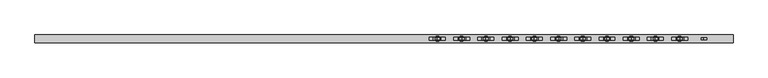
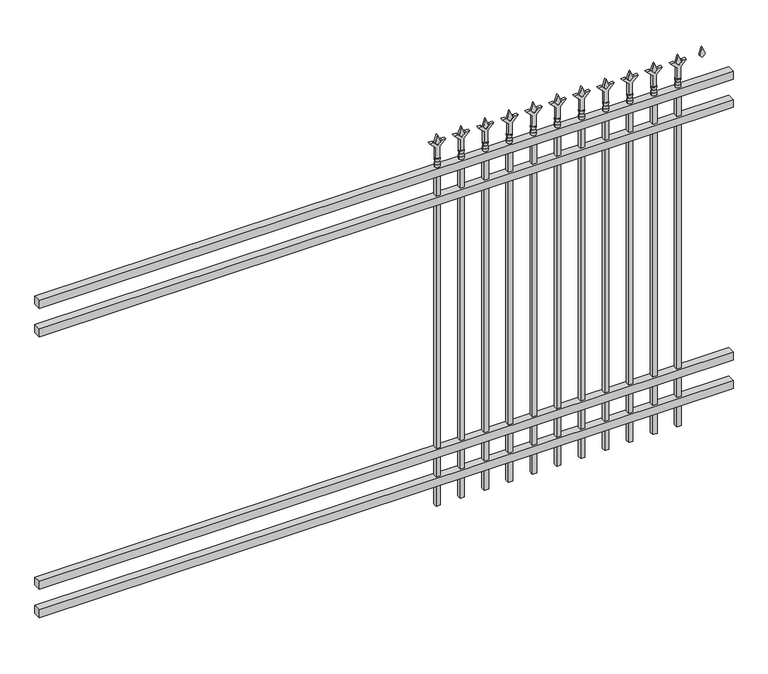
"""IFC4 building model written with IfcOpenShell, lengths in millimetres: railing geometry."""

import ifcopenshell
import ifcopenshell.guid

model = None  # the IFC model being written
_history = None  # IfcOwnerHistory: only IFC2X3 demands one
_inside = {}  # id of a spatial element -> (the spatial element, [elements in it])
_under = {}  # id of a project, library or spatial element -> (it, [spatial elements below it])
_declared = {}  # id of a project -> (the project, [libraries it declares])
_typed = {}  # id of a type object -> (the type object, [elements of that type])
_made_of = {}  # id of a material, layer set ... -> (it, [elements and type objects made of it])


def new_model(schema):
    """Start an empty IFC model of exactly this schema.

    Asked for "IFC4X3", IfcOpenShell would pick the latest addendum, in which some entities
    have other attributes; the version numbers below select the first issue.
    IFC2X3 requires an IfcOwnerHistory on every rooted entity: one is made here for all.
    """
    global model, _history
    if schema == "IFC4X3":
        model = ifcopenshell.file(schema_version=(4, 3, 0, 0))
    else:
        model = ifcopenshell.file(schema=schema)
    _inside.clear()
    _under.clear()
    _declared.clear()
    _typed.clear()
    _made_of.clear()
    _history = None
    if model.schema == "IFC2X3":
        org = make("IfcOrganization", Name="unknown")
        user = make(
            "IfcPersonAndOrganization",
            ThePerson=make("IfcPerson", FamilyName="unknown"),
            TheOrganization=org,
        )
        app = make(
            "IfcApplication",
            ApplicationDeveloper=org,
            Version="unknown",
            ApplicationFullName="unknown",
            ApplicationIdentifier="unknown",
        )
        _history = make(
            "IfcOwnerHistory",
            OwningUser=user,
            OwningApplication=app,
            ChangeAction="ADDED",
            CreationDate=0,
        )
    return model


def make(cls, **values):
    """One entity of the class cls with the attributes given. An attribute that is None is left unset."""
    return model.create_entity(
        cls, **{name: value for name, value in values.items() if value is not None}
    )


def rooted(cls, **values):
    """An entity with a GlobalId (a new one), such as an element, a storey or a relation."""
    return make(cls, GlobalId=ifcopenshell.guid.new(), OwnerHistory=_history, **values)


def si_unit(unit_type, name, prefix=None):
    """IfcSIUnit, for example si_unit("LENGTHUNIT", "METRE", prefix="MILLI")."""
    return make("IfcSIUnit", UnitType=unit_type, Prefix=prefix, Name=name)


def assignment(units):
    """IfcUnitAssignment: the units of a project."""
    return None if units is None else make("IfcUnitAssignment", Units=units)


def point(xyz):
    """IfcCartesianPoint."""
    return None if xyz is None else make("IfcCartesianPoint", Coordinates=xyz)


def direction(xyz):
    """IfcDirection."""
    return None if xyz is None else make("IfcDirection", DirectionRatios=xyz)


def frame(location, z_axis=None, x_axis=None):
    """IfcAxis2Placement3D, a coordinate frame: its origin and axes. An axis left out is left unset."""
    return make(
        "IfcAxis2Placement3D",
        Location=point(location),
        Axis=direction(z_axis),
        RefDirection=direction(x_axis),
    )


def origin():
    """The frame at (0, 0, 0) with its axes left unset."""
    return frame((0.0, 0.0, 0.0))


def place(relative_to, where):
    """IfcLocalPlacement: puts the frame where relative to a parent placement (None: the world)."""
    return make(
        "IfcLocalPlacement", PlacementRelTo=relative_to, RelativePlacement=where
    )


def context(
    kind, dimensions, precision=None, world=None, true_north=None, identifier=None
):
    """IfcGeometricRepresentationContext, for example the 3D "Model" context."""
    return make(
        "IfcGeometricRepresentationContext",
        ContextIdentifier=identifier,
        ContextType=kind,
        CoordinateSpaceDimension=dimensions,
        Precision=precision,
        WorldCoordinateSystem=world,
        TrueNorth=true_north,
    )


def project(units=None, contexts=None):
    """IfcProject with its units and contexts."""
    return rooted(
        "IfcProject",
        Name="project",
        RepresentationContexts=contexts,
        UnitsInContext=assignment(units),
    )


def spatial(cls, under=None, at=None, **own):
    """A site, building, storey or space (cls), placed at a placement, below another one or the project."""
    s = rooted(cls, ObjectPlacement=at, **own)
    if under is not None:
        _under.setdefault(under.id(), (under, []))[1].append(s)
    return s


def polyline(points):
    """IfcPolyline through the points."""
    return make("IfcPolyline", Points=[point(p) for p in points])


def circle_curve(where, radius):
    """IfcCircle in the frame where."""
    return make("IfcCircle", Position=where, Radius=radius)


def outline(outer, holes=None, kind="AREA"):
    """IfcArbitraryClosedProfileDef: a profile drawn as a closed curve; with holes, ...WithVoids."""
    if holes is None:
        return make("IfcArbitraryClosedProfileDef", ProfileType=kind, OuterCurve=outer)
    return make(
        "IfcArbitraryProfileDefWithVoids",
        ProfileType=kind,
        OuterCurve=outer,
        InnerCurves=holes,
    )


def extrude(swept, where, along, depth):
    """IfcExtrudedAreaSolid: the profile swept, set in the frame where, extruded along a direction by depth."""
    return make(
        "IfcExtrudedAreaSolid",
        SweptArea=swept,
        Position=where,
        ExtrudedDirection=direction(along),
        Depth=depth,
    )


def shape(context_of_items, identifier, shape_type, items):
    """IfcShapeRepresentation: the items that make up one representation, for example the "Body"."""
    return make(
        "IfcShapeRepresentation",
        ContextOfItems=context_of_items,
        RepresentationIdentifier=identifier,
        RepresentationType=shape_type,
        Items=items,
    )


def source(mapping_origin, context_of_items, identifier, shape_type, items):
    """IfcRepresentationMap: a shape defined once, which mapped items show again and again."""
    return make(
        "IfcRepresentationMap",
        MappingOrigin=mapping_origin,
        MappedRepresentation=shape(context_of_items, identifier, shape_type, items),
    )


def transform(
    local_origin,
    x_axis=None,
    y_axis=None,
    z_axis=None,
    scale=None,
    scale2=None,
    scale3=None,
    uniform=True,
):
    """IfcCartesianTransformationOperator3D, or its non-uniform kind. x_axis, y_axis, z_axis: its Axis1, 2, 3."""
    if uniform:
        return make(
            "IfcCartesianTransformationOperator3D",
            Axis1=direction(x_axis),
            Axis2=direction(y_axis),
            LocalOrigin=point(local_origin),
            Scale=scale,
            Axis3=direction(z_axis),
        )
    return make(
        "IfcCartesianTransformationOperator3DnonUniform",
        Axis1=direction(x_axis),
        Axis2=direction(y_axis),
        LocalOrigin=point(local_origin),
        Scale=scale,
        Axis3=direction(z_axis),
        Scale2=scale2,
        Scale3=scale3,
    )


def mapped(mapping_source, mapping_target):
    """IfcMappedItem: shows the shape of a source again, moved by a transform."""
    return make(
        "IfcMappedItem", MappingSource=mapping_source, MappingTarget=mapping_target
    )


def made_of(thing, what):
    """Note that an element or type object is made of a material, layer set ...; save() writes the relation."""
    if what is not None:
        _made_of.setdefault(what.id(), (what, []))[1].append(thing)
    return thing


def element(
    cls,
    number,
    at=None,
    inside=None,
    cuts=None,
    type_object=None,
    material=None,
    context=None,
    identifier="Body",
    shape_type=None,
    held_by="IfcProductDefinitionShape",
    body=None,
    shapes=None,
    **own,
):
    """One element of the class cls, such as IfcWall. Its Tag is "e" and its number.

    at: its placement. inside: the storey or other place that contains it. cuts: it is an
    opening in that element (IfcRelVoidsElement). A single representation is given by context,
    identifier, shape_type and body (its items); several are given by shapes. held_by: the class
    of the entity that holds the representations. save() writes the other relations.
    """
    e = rooted(cls, Tag="e%d" % number, ObjectPlacement=at, **own)
    if body is not None:
        shapes = [shape(context, identifier, shape_type, body)]
    if shapes is not None:
        e.Representation = make(held_by, Representations=shapes)
    if inside is not None:
        _inside.setdefault(inside.id(), (inside, []))[1].append(e)
    if cuts is not None:
        rooted(
            "IfcRelVoidsElement", RelatingBuildingElement=cuts, RelatedOpeningElement=e
        )
    if type_object is not None:
        _typed.setdefault(type_object.id(), (type_object, []))[1].append(e)
    return made_of(e, material)


def aggregate(whole, parts):
    """IfcRelAggregates: a whole, such as a stair, and the parts it consists of."""
    return rooted("IfcRelAggregates", RelatingObject=whole, RelatedObjects=parts)


def save(model, path):
    """Write the relations noted so far, then the file.

    IfcRelAggregates (storeys below a building ...), IfcRelContainedInSpatialStructure (elements
    in a storey), IfcRelDefinesByType, IfcRelAssociatesMaterial and IfcRelDeclares: one each for
    every whole, place, type object, material and project.
    """
    for whole, parts in _under.values():
        aggregate(whole, parts)
    for where, things in _inside.values():
        rooted(
            "IfcRelContainedInSpatialStructure",
            RelatedElements=things,
            RelatingStructure=where,
        )
    for kind, things in _typed.values():
        rooted("IfcRelDefinesByType", RelatedObjects=things, RelatingType=kind)
    for what, things in _made_of.values():
        rooted("IfcRelAssociatesMaterial", RelatedObjects=things, RelatingMaterial=what)
    for by, libraries in _declared.values():
        rooted("IfcRelDeclares", RelatingContext=by, RelatedDefinitions=libraries)
    model.write(path)


def plane_surface(at):
    """IfcPlane: the flat surface through the origin of the frame at, square to its z axis."""
    return make("IfcPlane", Position=at)


def cylinder_surface(at, radius):
    """IfcCylindricalSurface: all points at the distance radius from the z axis of the frame at."""
    return make("IfcCylindricalSurface", Position=at, Radius=radius)


def revolved_surface(curve, axis_point, axis_direction):
    """IfcSurfaceOfRevolution: the curve turned about the line through axis_point along axis_direction."""
    return make(
        "IfcSurfaceOfRevolution",
        SweptCurve=make("IfcArbitraryOpenProfileDef", ProfileType="CURVE", Curve=curve),
        AxisPosition=make("IfcAxis1Placement", Location=point(axis_point), Axis=direction(axis_direction)),
    )


def advanced_brep(points, edges, surfaces, faces):
    """IfcAdvancedBrep: a solid bounded by faces that lie on surfaces and meet in shared edges.

    An edge is (start, end): straight between two places in points (the first is 0);
    or (start, end, curve); or (start, end, curve, False) where it runs against its curve.
    A face is (place in surfaces, loops), or (place, loops, False) where it looks against
    its surface's normal. A loop lists edges by number (the first is 1), with a minus sign
    where the edge is run from its end to its start. The first loop is the outer one.
    """
    corners = [point(p) for p in points]
    vertices = [make("IfcVertexPoint", VertexGeometry=c) for c in corners]
    made = []
    for start, end, *more in edges:
        made.append(
            make(
                "IfcEdgeCurve",
                EdgeStart=vertices[start],
                EdgeEnd=vertices[end],
                EdgeGeometry=more[0] if more else make("IfcPolyline", Points=[corners[start], corners[end]]),
                SameSense=more[1] if len(more) > 1 else True,
            )
        )
    hull = []
    for where, loops, *sense in faces:
        bounds = []
        for j, loop in enumerate(loops):
            ring = [make("IfcOrientedEdge", EdgeElement=made[abs(k) - 1], Orientation=k > 0) for k in loop]
            bounds.append(
                make(
                    "IfcFaceOuterBound" if j == 0 else "IfcFaceBound",
                    Bound=make("IfcEdgeLoop", EdgeList=ring),
                    Orientation=True,
                )
            )
        hull.append(make("IfcAdvancedFace", Bounds=bounds, FaceSurface=surfaces[where], SameSense=sense[0] if sense else True))
    return make("IfcAdvancedBrep", Outer=make("IfcClosedShell", CfsFaces=hull))


def railing_c09364bd(model_context):
    return source(origin(), model_context, "Body", "SolidModel", [
        extrude(outline(polyline([(-67441.318087, -9187.1195174), (-67441.318087, -9152.1945174), (-64291.718087, -9152.1945174), (-64291.718087, -9187.1195174), (-67441.318087, -9187.1195174)])), frame((0.0, 0.0, 1638.3), z_axis=(0.0, 0.0, 1.0), x_axis=(1.0, 0.0, 0.0)), (0.0, 0.0, 1.0), 38.1),
        extrude(outline(polyline([(-67441.318087, -9187.1195174), (-67441.318087, -9152.1945174), (-64291.718087, -9152.1945174), (-64291.718087, -9187.1195174), (-67441.318087, -9187.1195174)])), frame((0.0, 0.0, 1501.775), z_axis=(0.0, 0.0, 1.0), x_axis=(1.0, 0.0, 0.0)), (0.0, 0.0, 1.0), 38.1),
        extrude(outline(polyline([(-67441.318087, -9187.1195174), (-67441.318087, -9152.1945174), (-64291.718087, -9152.1945174), (-64291.718087, -9187.1195174), (-67441.318087, -9187.1195174)])), frame((0.0, 0.0, 288.925), z_axis=(0.0, 0.0, 1.0), x_axis=(1.0, 0.0, 0.0)), (0.0, 0.0, 1.0), 38.1),
        extrude(outline(polyline([(-67441.318087, -9187.1195174), (-67441.318087, -9152.1945174), (-64291.718087, -9152.1945174), (-64291.718087, -9187.1195174), (-67441.318087, -9187.1195174)])), frame((0.0, 0.0, 152.4), z_axis=(0.0, 0.0, 1.0), x_axis=(1.0, 0.0, 0.0)), (0.0, 0.0, 1.0), 38.1),
        extrude(outline(polyline([(1793.08125, -64520.8472536), (1828.8, -64532.7535036), (1793.08125, -64544.6597536), (1781.175, -64532.7535036), (1793.08125, -64520.8472536)])), frame((0.0, -9174.4195174, 0.0), z_axis=(0.0, 1.0, 0.0), x_axis=(0.0, 0.0, 1.0)), (0.0, 0.0, 1.0), 9.525),
        extrude(outline(polyline([(1717.675, -64524.0222536), (1771.9457378, -64524.0222536), (1799.1355122, -64496.8324791), (1799.1355122, -64514.7929914), (1781.175, -64532.7535036), (1799.1355122, -64550.7140159), (1799.1355122, -64568.6745281), (1771.9457378, -64541.4847536), (1717.675, -64541.4847536), (1717.675, -64524.0222536)])), frame((0.0, -9176.0070174, 0.0), z_axis=(0.0, 1.0, 0.0), x_axis=(0.0, 0.0, 1.0)), (0.0, 0.0, 1.0), 12.7),
        advanced_brep(
        [(-64520.8472536, -9169.6570174, 1689.1), (-64544.6597536, -9169.6570174, 1689.1), (-64544.6597536, -9169.6570174, 1676.4), (-64520.8472536, -9169.6570174, 1676.4), (-64523.0525855, -9169.6570174, 1701.6070585), (-64542.4544218, -9169.6570174, 1701.6070585), (-64520.8472536, -9169.6570174, 1717.675), (-64544.6597536, -9169.6570174, 1717.675), (-64532.7535036, -9169.6570174, 1717.675), (-64532.7535036, -9169.6570174, 1676.4)],
        [
            (0, 1, circle_curve(frame((-64532.7535036, -9169.6570174, 1689.1), z_axis=(0.0, 0.0, -1.0), x_axis=(-1.0, 0.0, 0.0)), 11.90625)),
            (1, 2),
            (2, 3, circle_curve(frame((-64532.7535036, -9169.6570174, 1676.4), z_axis=(0.0, 0.0, 1.0), x_axis=(-1.0, 0.0, 0.0)), 11.90625)),
            (3, 0),
            (1, 0, circle_curve(frame((-64532.7535036, -9169.6570174, 1689.1), z_axis=(0.0, 0.0, -1.0), x_axis=(-1.0, 0.0, 0.0)), 11.90625)),
            (3, 2, circle_curve(frame((-64532.7535036, -9169.6570174, 1676.4), z_axis=(0.0, 0.0, 1.0), x_axis=(-1.0, 0.0, 0.0)), 11.90625)),
            (4, 5, circle_curve(frame((-64532.7535036, -9169.6570174, 1701.6070585), z_axis=(0.0, 0.0, -1.0), x_axis=(-1.0, 0.0, 0.0)), 9.7009181)),
            (5, 1),
            (0, 4),
            (5, 4, circle_curve(frame((-64532.7535036, -9169.6570174, 1701.6070585), z_axis=(0.0, 0.0, -1.0), x_axis=(-1.0, 0.0, 0.0)), 9.7009181)),
            (6, 7, circle_curve(frame((-64532.7535036, -9169.6570174, 1717.675), z_axis=(0.0, 0.0, -1.0), x_axis=(-1.0, 0.0, 0.0)), 11.90625)),
            (7, 5),
            (4, 6),
            (7, 6, circle_curve(frame((-64532.7535036, -9169.6570174, 1717.675), z_axis=(0.0, 0.0, -1.0), x_axis=(-1.0, 0.0, 0.0)), 11.90625)),
            (8, 7),
            (6, 8),
            (2, 9),
            (9, 3),
        ],
        [
            cylinder_surface(frame((-64532.7535036, -9169.6570174, 1676.4), z_axis=(0.0, 0.0, 1.0), x_axis=(-1.0, 0.0, 0.0)), 11.90625),
            revolved_surface(polyline([(-64544.6597536, -9169.6570174, 1689.1), (-64542.4544218, -9169.6570174, 1701.6070585)]), (-64532.7535036, -9169.6570174, 1676.4), (0.0, 0.0, 1.0)),
            revolved_surface(polyline([(-64542.4544218, -9169.6570174, 1701.6070585), (-64544.6597536, -9169.6570174, 1717.675)]), (-64532.7535036, -9169.6570174, 1676.4), (0.0, 0.0, 1.0)),
            plane_surface(frame((-64532.7535036, -9169.6570174, 1717.675), z_axis=(0.0, 0.0, 1.0), x_axis=(-1.0, 0.0, 0.0))),
            plane_surface(frame((-64532.7535036, -9169.6570174, 1676.4), z_axis=(0.0, 0.0, -1.0), x_axis=(-1.0, 0.0, 0.0))),
        ],
        [
            (0, [[1, 2, 3, 4]]),
            (0, [[5, -4, 6, -2]]),
            (1, [[7, 8, -1, 9]]),
            (1, [[10, -9, -5, -8]]),
            (2, [[11, 12, -7, 13]]),
            (2, [[14, -13, -10, -12]]),
            (3, [[15, -11, 16]]),
            (3, [[-16, -14, -15]]),
            (4, [[-3, 17, 18]]),
            (4, [[-6, -18, -17]]),
        ],
    ),
        extrude(outline(polyline([(-64542.2785036, -9160.1320174), (-64523.2285036, -9160.1320174), (-64523.2285036, -9179.1820174), (-64542.2785036, -9179.1820174), (-64542.2785036, -9160.1320174)])), frame((0.0, 0.0, 50.8), z_axis=(0.0, 0.0, 1.0), x_axis=(1.0, 0.0, 0.0)), (0.0, 0.0, 1.0), 1625.6),
        extrude(outline(polyline([(1793.08125, -64630.1201703), (1828.8, -64642.0264203), (1793.08125, -64653.9326703), (1781.175, -64642.0264203), (1793.08125, -64630.1201703)])), frame((0.0, -9174.4195174, 0.0), z_axis=(0.0, 1.0, 0.0), x_axis=(0.0, 0.0, 1.0)), (0.0, 0.0, 1.0), 9.525),
        extrude(outline(polyline([(1717.675, -64633.2951703), (1771.9457378, -64633.2951703), (1799.1355122, -64606.1053958), (1799.1355122, -64624.0659081), (1781.175, -64642.0264203), (1799.1355122, -64659.9869325), (1799.1355122, -64677.9474448), (1771.9457378, -64650.7576703), (1717.675, -64650.7576703), (1717.675, -64633.2951703)])), frame((0.0, -9176.0070174, 0.0), z_axis=(0.0, 1.0, 0.0), x_axis=(0.0, 0.0, 1.0)), (0.0, 0.0, 1.0), 12.7),
        advanced_brep(
        [(-64630.1201703, -9169.6570174, 1689.1), (-64653.9326703, -9169.6570174, 1689.1), (-64653.9326703, -9169.6570174, 1676.4), (-64630.1201703, -9169.6570174, 1676.4), (-64632.3255022, -9169.6570174, 1701.6070585), (-64651.7273384, -9169.6570174, 1701.6070585), (-64630.1201703, -9169.6570174, 1717.675), (-64653.9326703, -9169.6570174, 1717.675), (-64642.0264203, -9169.6570174, 1717.675), (-64642.0264203, -9169.6570174, 1676.4)],
        [
            (0, 1, circle_curve(frame((-64642.0264203, -9169.6570174, 1689.1), z_axis=(0.0, 0.0, -1.0), x_axis=(-1.0, 0.0, 0.0)), 11.90625)),
            (1, 2),
            (2, 3, circle_curve(frame((-64642.0264203, -9169.6570174, 1676.4), z_axis=(0.0, 0.0, 1.0), x_axis=(-1.0, 0.0, 0.0)), 11.90625)),
            (3, 0),
            (1, 0, circle_curve(frame((-64642.0264203, -9169.6570174, 1689.1), z_axis=(0.0, 0.0, -1.0), x_axis=(-1.0, 0.0, 0.0)), 11.90625)),
            (3, 2, circle_curve(frame((-64642.0264203, -9169.6570174, 1676.4), z_axis=(0.0, 0.0, 1.0), x_axis=(-1.0, 0.0, 0.0)), 11.90625)),
            (4, 5, circle_curve(frame((-64642.0264203, -9169.6570174, 1701.6070585), z_axis=(0.0, 0.0, -1.0), x_axis=(-1.0, 0.0, 0.0)), 9.7009181)),
            (5, 1),
            (0, 4),
            (5, 4, circle_curve(frame((-64642.0264203, -9169.6570174, 1701.6070585), z_axis=(0.0, 0.0, -1.0), x_axis=(-1.0, 0.0, 0.0)), 9.7009181)),
            (6, 7, circle_curve(frame((-64642.0264203, -9169.6570174, 1717.675), z_axis=(0.0, 0.0, -1.0), x_axis=(-1.0, 0.0, 0.0)), 11.90625)),
            (7, 5),
            (4, 6),
            (7, 6, circle_curve(frame((-64642.0264203, -9169.6570174, 1717.675), z_axis=(0.0, 0.0, -1.0), x_axis=(-1.0, 0.0, 0.0)), 11.90625)),
            (8, 7),
            (6, 8),
            (2, 9),
            (9, 3),
        ],
        [
            cylinder_surface(frame((-64642.0264203, -9169.6570174, 1676.4), z_axis=(0.0, 0.0, 1.0), x_axis=(-1.0, 0.0, 0.0)), 11.90625),
            revolved_surface(polyline([(-64653.9326703, -9169.6570174, 1689.1), (-64651.7273384, -9169.6570174, 1701.6070585)]), (-64642.0264203, -9169.6570174, 1676.4), (0.0, 0.0, 1.0)),
            revolved_surface(polyline([(-64651.7273384, -9169.6570174, 1701.6070585), (-64653.9326703, -9169.6570174, 1717.675)]), (-64642.0264203, -9169.6570174, 1676.4), (0.0, 0.0, 1.0)),
            plane_surface(frame((-64642.0264203, -9169.6570174, 1717.675), z_axis=(0.0, 0.0, 1.0), x_axis=(-1.0, 0.0, 0.0))),
            plane_surface(frame((-64642.0264203, -9169.6570174, 1676.4), z_axis=(0.0, 0.0, -1.0), x_axis=(-1.0, 0.0, 0.0))),
        ],
        [
            (0, [[1, 2, 3, 4]]),
            (0, [[5, -4, 6, -2]]),
            (1, [[7, 8, -1, 9]]),
            (1, [[10, -9, -5, -8]]),
            (2, [[11, 12, -7, 13]]),
            (2, [[14, -13, -10, -12]]),
            (3, [[15, -11, 16]]),
            (3, [[-16, -14, -15]]),
            (4, [[-3, 17, 18]]),
            (4, [[-6, -18, -17]]),
        ],
    ),
        extrude(outline(polyline([(-64651.5514203, -9160.1320174), (-64632.5014203, -9160.1320174), (-64632.5014203, -9179.1820174), (-64651.5514203, -9179.1820174), (-64651.5514203, -9160.1320174)])), frame((0.0, 0.0, 50.8), z_axis=(0.0, 0.0, 1.0), x_axis=(1.0, 0.0, 0.0)), (0.0, 0.0, 1.0), 1625.6),
        extrude(outline(polyline([(1793.08125, -64739.393087), (1828.8, -64751.299337), (1793.08125, -64763.205587), (1781.175, -64751.299337), (1793.08125, -64739.393087)])), frame((0.0, -9174.4195174, 0.0), z_axis=(0.0, 1.0, 0.0), x_axis=(0.0, 0.0, 1.0)), (0.0, 0.0, 1.0), 9.525),
        extrude(outline(polyline([(1717.675, -64742.568087), (1771.9457378, -64742.568087), (1799.1355122, -64715.3783125), (1799.1355122, -64733.3388247), (1781.175, -64751.299337), (1799.1355122, -64769.2598492), (1799.1355122, -64787.2203614), (1771.9457378, -64760.030587), (1717.675, -64760.030587), (1717.675, -64742.568087)])), frame((0.0, -9176.0070174, 0.0), z_axis=(0.0, 1.0, 0.0), x_axis=(0.0, 0.0, 1.0)), (0.0, 0.0, 1.0), 12.7),
        advanced_brep(
        [(-64739.393087, -9169.6570174, 1689.1), (-64763.205587, -9169.6570174, 1689.1), (-64763.205587, -9169.6570174, 1676.4), (-64739.393087, -9169.6570174, 1676.4), (-64741.5984188, -9169.6570174, 1701.6070585), (-64761.0002551, -9169.6570174, 1701.6070585), (-64739.393087, -9169.6570174, 1717.675), (-64763.205587, -9169.6570174, 1717.675), (-64751.299337, -9169.6570174, 1717.675), (-64751.299337, -9169.6570174, 1676.4)],
        [
            (0, 1, circle_curve(frame((-64751.299337, -9169.6570174, 1689.1), z_axis=(0.0, 0.0, -1.0), x_axis=(-1.0, 0.0, 0.0)), 11.90625)),
            (1, 2),
            (2, 3, circle_curve(frame((-64751.299337, -9169.6570174, 1676.4), z_axis=(0.0, 0.0, 1.0), x_axis=(-1.0, 0.0, 0.0)), 11.90625)),
            (3, 0),
            (1, 0, circle_curve(frame((-64751.299337, -9169.6570174, 1689.1), z_axis=(0.0, 0.0, -1.0), x_axis=(-1.0, 0.0, 0.0)), 11.90625)),
            (3, 2, circle_curve(frame((-64751.299337, -9169.6570174, 1676.4), z_axis=(0.0, 0.0, 1.0), x_axis=(-1.0, 0.0, 0.0)), 11.90625)),
            (4, 5, circle_curve(frame((-64751.299337, -9169.6570174, 1701.6070585), z_axis=(0.0, 0.0, -1.0), x_axis=(-1.0, 0.0, 0.0)), 9.7009181)),
            (5, 1),
            (0, 4),
            (5, 4, circle_curve(frame((-64751.299337, -9169.6570174, 1701.6070585), z_axis=(0.0, 0.0, -1.0), x_axis=(-1.0, 0.0, 0.0)), 9.7009181)),
            (6, 7, circle_curve(frame((-64751.299337, -9169.6570174, 1717.675), z_axis=(0.0, 0.0, -1.0), x_axis=(-1.0, 0.0, 0.0)), 11.90625)),
            (7, 5),
            (4, 6),
            (7, 6, circle_curve(frame((-64751.299337, -9169.6570174, 1717.675), z_axis=(0.0, 0.0, -1.0), x_axis=(-1.0, 0.0, 0.0)), 11.90625)),
            (8, 7),
            (6, 8),
            (2, 9),
            (9, 3),
        ],
        [
            cylinder_surface(frame((-64751.299337, -9169.6570174, 1676.4), z_axis=(0.0, 0.0, 1.0), x_axis=(-1.0, 0.0, 0.0)), 11.90625),
            revolved_surface(polyline([(-64763.205587, -9169.6570174, 1689.1), (-64761.0002551, -9169.6570174, 1701.6070585)]), (-64751.299337, -9169.6570174, 1676.4), (0.0, 0.0, 1.0)),
            revolved_surface(polyline([(-64761.0002551, -9169.6570174, 1701.6070585), (-64763.205587, -9169.6570174, 1717.675)]), (-64751.299337, -9169.6570174, 1676.4), (0.0, 0.0, 1.0)),
            plane_surface(frame((-64751.299337, -9169.6570174, 1717.675), z_axis=(0.0, 0.0, 1.0), x_axis=(-1.0, 0.0, 0.0))),
            plane_surface(frame((-64751.299337, -9169.6570174, 1676.4), z_axis=(0.0, 0.0, -1.0), x_axis=(-1.0, 0.0, 0.0))),
        ],
        [
            (0, [[1, 2, 3, 4]]),
            (0, [[5, -4, 6, -2]]),
            (1, [[7, 8, -1, 9]]),
            (1, [[10, -9, -5, -8]]),
            (2, [[11, 12, -7, 13]]),
            (2, [[14, -13, -10, -12]]),
            (3, [[15, -11, 16]]),
            (3, [[-16, -14, -15]]),
            (4, [[-3, 17, 18]]),
            (4, [[-6, -18, -17]]),
        ],
    ),
        extrude(outline(polyline([(-64760.824337, -9160.1320174), (-64741.774337, -9160.1320174), (-64741.774337, -9179.1820174), (-64760.824337, -9179.1820174), (-64760.824337, -9160.1320174)])), frame((0.0, 0.0, 50.8), z_axis=(0.0, 0.0, 1.0), x_axis=(1.0, 0.0, 0.0)), (0.0, 0.0, 1.0), 1625.6),
        extrude(outline(polyline([(1793.08125, -64848.6660036), (1828.8, -64860.5722536), (1793.08125, -64872.4785036), (1781.175, -64860.5722536), (1793.08125, -64848.6660036)])), frame((0.0, -9174.4195174, 0.0), z_axis=(0.0, 1.0, 0.0), x_axis=(0.0, 0.0, 1.0)), (0.0, 0.0, 1.0), 9.525),
        extrude(outline(polyline([(1717.675, -64851.8410036), (1771.9457378, -64851.8410036), (1799.1355122, -64824.6512291), (1799.1355122, -64842.6117414), (1781.175, -64860.5722536), (1799.1355122, -64878.5327659), (1799.1355122, -64896.4932781), (1771.9457378, -64869.3035036), (1717.675, -64869.3035036), (1717.675, -64851.8410036)])), frame((0.0, -9176.0070174, 0.0), z_axis=(0.0, 1.0, 0.0), x_axis=(0.0, 0.0, 1.0)), (0.0, 0.0, 1.0), 12.7),
        advanced_brep(
        [(-64848.6660036, -9169.6570174, 1689.1), (-64872.4785036, -9169.6570174, 1689.1), (-64872.4785036, -9169.6570174, 1676.4), (-64848.6660036, -9169.6570174, 1676.4), (-64850.8713355, -9169.6570174, 1701.6070585), (-64870.2731718, -9169.6570174, 1701.6070585), (-64848.6660036, -9169.6570174, 1717.675), (-64872.4785036, -9169.6570174, 1717.675), (-64860.5722536, -9169.6570174, 1717.675), (-64860.5722536, -9169.6570174, 1676.4)],
        [
            (0, 1, circle_curve(frame((-64860.5722536, -9169.6570174, 1689.1), z_axis=(0.0, 0.0, -1.0), x_axis=(-1.0, 0.0, 0.0)), 11.90625)),
            (1, 2),
            (2, 3, circle_curve(frame((-64860.5722536, -9169.6570174, 1676.4), z_axis=(0.0, 0.0, 1.0), x_axis=(-1.0, 0.0, 0.0)), 11.90625)),
            (3, 0),
            (1, 0, circle_curve(frame((-64860.5722536, -9169.6570174, 1689.1), z_axis=(0.0, 0.0, -1.0), x_axis=(-1.0, 0.0, 0.0)), 11.90625)),
            (3, 2, circle_curve(frame((-64860.5722536, -9169.6570174, 1676.4), z_axis=(0.0, 0.0, 1.0), x_axis=(-1.0, 0.0, 0.0)), 11.90625)),
            (4, 5, circle_curve(frame((-64860.5722536, -9169.6570174, 1701.6070585), z_axis=(0.0, 0.0, -1.0), x_axis=(-1.0, 0.0, 0.0)), 9.7009181)),
            (5, 1),
            (0, 4),
            (5, 4, circle_curve(frame((-64860.5722536, -9169.6570174, 1701.6070585), z_axis=(0.0, 0.0, -1.0), x_axis=(-1.0, 0.0, 0.0)), 9.7009181)),
            (6, 7, circle_curve(frame((-64860.5722536, -9169.6570174, 1717.675), z_axis=(0.0, 0.0, -1.0), x_axis=(-1.0, 0.0, 0.0)), 11.90625)),
            (7, 5),
            (4, 6),
            (7, 6, circle_curve(frame((-64860.5722536, -9169.6570174, 1717.675), z_axis=(0.0, 0.0, -1.0), x_axis=(-1.0, 0.0, 0.0)), 11.90625)),
            (8, 7),
            (6, 8),
            (2, 9),
            (9, 3),
        ],
        [
            cylinder_surface(frame((-64860.5722536, -9169.6570174, 1676.4), z_axis=(0.0, 0.0, 1.0), x_axis=(-1.0, 0.0, 0.0)), 11.90625),
            revolved_surface(polyline([(-64872.4785036, -9169.6570174, 1689.1), (-64870.2731718, -9169.6570174, 1701.6070585)]), (-64860.5722536, -9169.6570174, 1676.4), (0.0, 0.0, 1.0)),
            revolved_surface(polyline([(-64870.2731718, -9169.6570174, 1701.6070585), (-64872.4785036, -9169.6570174, 1717.675)]), (-64860.5722536, -9169.6570174, 1676.4), (0.0, 0.0, 1.0)),
            plane_surface(frame((-64860.5722536, -9169.6570174, 1717.675), z_axis=(0.0, 0.0, 1.0), x_axis=(-1.0, 0.0, 0.0))),
            plane_surface(frame((-64860.5722536, -9169.6570174, 1676.4), z_axis=(0.0, 0.0, -1.0), x_axis=(-1.0, 0.0, 0.0))),
        ],
        [
            (0, [[1, 2, 3, 4]]),
            (0, [[5, -4, 6, -2]]),
            (1, [[7, 8, -1, 9]]),
            (1, [[10, -9, -5, -8]]),
            (2, [[11, 12, -7, 13]]),
            (2, [[14, -13, -10, -12]]),
            (3, [[15, -11, 16]]),
            (3, [[-16, -14, -15]]),
            (4, [[-3, 17, 18]]),
            (4, [[-6, -18, -17]]),
        ],
    ),
        extrude(outline(polyline([(-64870.0972536, -9160.1320174), (-64851.0472536, -9160.1320174), (-64851.0472536, -9179.1820174), (-64870.0972536, -9179.1820174), (-64870.0972536, -9160.1320174)])), frame((0.0, 0.0, 50.8), z_axis=(0.0, 0.0, 1.0), x_axis=(1.0, 0.0, 0.0)), (0.0, 0.0, 1.0), 1625.6),
        extrude(outline(polyline([(1793.08125, -64957.9389203), (1828.8, -64969.8451703), (1793.08125, -64981.7514203), (1781.175, -64969.8451703), (1793.08125, -64957.9389203)])), frame((0.0, -9174.4195174, 0.0), z_axis=(0.0, 1.0, 0.0), x_axis=(0.0, 0.0, 1.0)), (0.0, 0.0, 1.0), 9.525),
        extrude(outline(polyline([(1717.675, -64961.1139203), (1771.9457378, -64961.1139203), (1799.1355122, -64933.9241458), (1799.1355122, -64951.8846581), (1781.175, -64969.8451703), (1799.1355122, -64987.8056825), (1799.1355122, -65005.7661948), (1771.9457378, -64978.5764203), (1717.675, -64978.5764203), (1717.675, -64961.1139203)])), frame((0.0, -9176.0070174, 0.0), z_axis=(0.0, 1.0, 0.0), x_axis=(0.0, 0.0, 1.0)), (0.0, 0.0, 1.0), 12.7),
        advanced_brep(
        [(-64957.9389203, -9169.6570174, 1689.1), (-64981.7514203, -9169.6570174, 1689.1), (-64981.7514203, -9169.6570174, 1676.4), (-64957.9389203, -9169.6570174, 1676.4), (-64960.1442522, -9169.6570174, 1701.6070585), (-64979.5460884, -9169.6570174, 1701.6070585), (-64957.9389203, -9169.6570174, 1717.675), (-64981.7514203, -9169.6570174, 1717.675), (-64969.8451703, -9169.6570174, 1717.675), (-64969.8451703, -9169.6570174, 1676.4)],
        [
            (0, 1, circle_curve(frame((-64969.8451703, -9169.6570174, 1689.1), z_axis=(0.0, 0.0, -1.0), x_axis=(-1.0, 0.0, 0.0)), 11.90625)),
            (1, 2),
            (2, 3, circle_curve(frame((-64969.8451703, -9169.6570174, 1676.4), z_axis=(0.0, 0.0, 1.0), x_axis=(-1.0, 0.0, 0.0)), 11.90625)),
            (3, 0),
            (1, 0, circle_curve(frame((-64969.8451703, -9169.6570174, 1689.1), z_axis=(0.0, 0.0, -1.0), x_axis=(-1.0, 0.0, 0.0)), 11.90625)),
            (3, 2, circle_curve(frame((-64969.8451703, -9169.6570174, 1676.4), z_axis=(0.0, 0.0, 1.0), x_axis=(-1.0, 0.0, 0.0)), 11.90625)),
            (4, 5, circle_curve(frame((-64969.8451703, -9169.6570174, 1701.6070585), z_axis=(0.0, 0.0, -1.0), x_axis=(-1.0, 0.0, 0.0)), 9.7009181)),
            (5, 1),
            (0, 4),
            (5, 4, circle_curve(frame((-64969.8451703, -9169.6570174, 1701.6070585), z_axis=(0.0, 0.0, -1.0), x_axis=(-1.0, 0.0, 0.0)), 9.7009181)),
            (6, 7, circle_curve(frame((-64969.8451703, -9169.6570174, 1717.675), z_axis=(0.0, 0.0, -1.0), x_axis=(-1.0, 0.0, 0.0)), 11.90625)),
            (7, 5),
            (4, 6),
            (7, 6, circle_curve(frame((-64969.8451703, -9169.6570174, 1717.675), z_axis=(0.0, 0.0, -1.0), x_axis=(-1.0, 0.0, 0.0)), 11.90625)),
            (8, 7),
            (6, 8),
            (2, 9),
            (9, 3),
        ],
        [
            cylinder_surface(frame((-64969.8451703, -9169.6570174, 1676.4), z_axis=(0.0, 0.0, 1.0), x_axis=(-1.0, 0.0, 0.0)), 11.90625),
            revolved_surface(polyline([(-64981.7514203, -9169.6570174, 1689.1), (-64979.5460884, -9169.6570174, 1701.6070585)]), (-64969.8451703, -9169.6570174, 1676.4), (0.0, 0.0, 1.0)),
            revolved_surface(polyline([(-64979.5460884, -9169.6570174, 1701.6070585), (-64981.7514203, -9169.6570174, 1717.675)]), (-64969.8451703, -9169.6570174, 1676.4), (0.0, 0.0, 1.0)),
            plane_surface(frame((-64969.8451703, -9169.6570174, 1717.675), z_axis=(0.0, 0.0, 1.0), x_axis=(-1.0, 0.0, 0.0))),
            plane_surface(frame((-64969.8451703, -9169.6570174, 1676.4), z_axis=(0.0, 0.0, -1.0), x_axis=(-1.0, 0.0, 0.0))),
        ],
        [
            (0, [[1, 2, 3, 4]]),
            (0, [[5, -4, 6, -2]]),
            (1, [[7, 8, -1, 9]]),
            (1, [[10, -9, -5, -8]]),
            (2, [[11, 12, -7, 13]]),
            (2, [[14, -13, -10, -12]]),
            (3, [[15, -11, 16]]),
            (3, [[-16, -14, -15]]),
            (4, [[-3, 17, 18]]),
            (4, [[-6, -18, -17]]),
        ],
    ),
        extrude(outline(polyline([(-64979.3701703, -9160.1320174), (-64960.3201703, -9160.1320174), (-64960.3201703, -9179.1820174), (-64979.3701703, -9179.1820174), (-64979.3701703, -9160.1320174)])), frame((0.0, 0.0, 50.8), z_axis=(0.0, 0.0, 1.0), x_axis=(1.0, 0.0, 0.0)), (0.0, 0.0, 1.0), 1625.6),
        extrude(outline(polyline([(1793.08125, -65067.211837), (1828.8, -65079.118087), (1793.08125, -65091.024337), (1781.175, -65079.118087), (1793.08125, -65067.211837)])), frame((0.0, -9174.4195174, 0.0), z_axis=(0.0, 1.0, 0.0), x_axis=(0.0, 0.0, 1.0)), (0.0, 0.0, 1.0), 9.525),
        extrude(outline(polyline([(1717.675, -65070.386837), (1771.9457378, -65070.386837), (1799.1355122, -65043.1970625), (1799.1355122, -65061.1575747), (1781.175, -65079.118087), (1799.1355122, -65097.0785992), (1799.1355122, -65115.0391114), (1771.9457378, -65087.849337), (1717.675, -65087.849337), (1717.675, -65070.386837)])), frame((0.0, -9176.0070174, 0.0), z_axis=(0.0, 1.0, 0.0), x_axis=(0.0, 0.0, 1.0)), (0.0, 0.0, 1.0), 12.7),
        advanced_brep(
        [(-65067.211837, -9169.6570174, 1689.1), (-65091.024337, -9169.6570174, 1689.1), (-65091.024337, -9169.6570174, 1676.4), (-65067.211837, -9169.6570174, 1676.4), (-65069.4171688, -9169.6570174, 1701.6070585), (-65088.8190051, -9169.6570174, 1701.6070585), (-65067.211837, -9169.6570174, 1717.675), (-65091.024337, -9169.6570174, 1717.675), (-65079.118087, -9169.6570174, 1717.675), (-65079.118087, -9169.6570174, 1676.4)],
        [
            (0, 1, circle_curve(frame((-65079.118087, -9169.6570174, 1689.1), z_axis=(0.0, 0.0, -1.0), x_axis=(-1.0, 0.0, 0.0)), 11.90625)),
            (1, 2),
            (2, 3, circle_curve(frame((-65079.118087, -9169.6570174, 1676.4), z_axis=(0.0, 0.0, 1.0), x_axis=(-1.0, 0.0, 0.0)), 11.90625)),
            (3, 0),
            (1, 0, circle_curve(frame((-65079.118087, -9169.6570174, 1689.1), z_axis=(0.0, 0.0, -1.0), x_axis=(-1.0, 0.0, 0.0)), 11.90625)),
            (3, 2, circle_curve(frame((-65079.118087, -9169.6570174, 1676.4), z_axis=(0.0, 0.0, 1.0), x_axis=(-1.0, 0.0, 0.0)), 11.90625)),
            (4, 5, circle_curve(frame((-65079.118087, -9169.6570174, 1701.6070585), z_axis=(0.0, 0.0, -1.0), x_axis=(-1.0, 0.0, 0.0)), 9.7009181)),
            (5, 1),
            (0, 4),
            (5, 4, circle_curve(frame((-65079.118087, -9169.6570174, 1701.6070585), z_axis=(0.0, 0.0, -1.0), x_axis=(-1.0, 0.0, 0.0)), 9.7009181)),
            (6, 7, circle_curve(frame((-65079.118087, -9169.6570174, 1717.675), z_axis=(0.0, 0.0, -1.0), x_axis=(-1.0, 0.0, 0.0)), 11.90625)),
            (7, 5),
            (4, 6),
            (7, 6, circle_curve(frame((-65079.118087, -9169.6570174, 1717.675), z_axis=(0.0, 0.0, -1.0), x_axis=(-1.0, 0.0, 0.0)), 11.90625)),
            (8, 7),
            (6, 8),
            (2, 9),
            (9, 3),
        ],
        [
            cylinder_surface(frame((-65079.118087, -9169.6570174, 1676.4), z_axis=(0.0, 0.0, 1.0), x_axis=(-1.0, 0.0, 0.0)), 11.90625),
            revolved_surface(polyline([(-65091.024337, -9169.6570174, 1689.1), (-65088.8190051, -9169.6570174, 1701.6070585)]), (-65079.118087, -9169.6570174, 1676.4), (0.0, 0.0, 1.0)),
            revolved_surface(polyline([(-65088.8190051, -9169.6570174, 1701.6070585), (-65091.024337, -9169.6570174, 1717.675)]), (-65079.118087, -9169.6570174, 1676.4), (0.0, 0.0, 1.0)),
            plane_surface(frame((-65079.118087, -9169.6570174, 1717.675), z_axis=(0.0, 0.0, 1.0), x_axis=(-1.0, 0.0, 0.0))),
            plane_surface(frame((-65079.118087, -9169.6570174, 1676.4), z_axis=(0.0, 0.0, -1.0), x_axis=(-1.0, 0.0, 0.0))),
        ],
        [
            (0, [[1, 2, 3, 4]]),
            (0, [[5, -4, 6, -2]]),
            (1, [[7, 8, -1, 9]]),
            (1, [[10, -9, -5, -8]]),
            (2, [[11, 12, -7, 13]]),
            (2, [[14, -13, -10, -12]]),
            (3, [[15, -11, 16]]),
            (3, [[-16, -14, -15]]),
            (4, [[-3, 17, 18]]),
            (4, [[-6, -18, -17]]),
        ],
    ),
        extrude(outline(polyline([(-65088.643087, -9160.1320174), (-65069.593087, -9160.1320174), (-65069.593087, -9179.1820174), (-65088.643087, -9179.1820174), (-65088.643087, -9160.1320174)])), frame((0.0, 0.0, 50.8), z_axis=(0.0, 0.0, 1.0), x_axis=(1.0, 0.0, 0.0)), (0.0, 0.0, 1.0), 1625.6),
        extrude(outline(polyline([(1793.08125, -65176.4847536), (1828.8, -65188.3910036), (1793.08125, -65200.2972536), (1781.175, -65188.3910036), (1793.08125, -65176.4847536)])), frame((0.0, -9174.4195174, 0.0), z_axis=(0.0, 1.0, 0.0), x_axis=(0.0, 0.0, 1.0)), (0.0, 0.0, 1.0), 9.525),
        extrude(outline(polyline([(1717.675, -65179.6597536), (1771.9457378, -65179.6597536), (1799.1355122, -65152.4699791), (1799.1355122, -65170.4304914), (1781.175, -65188.3910036), (1799.1355122, -65206.3515159), (1799.1355122, -65224.3120281), (1771.9457378, -65197.1222536), (1717.675, -65197.1222536), (1717.675, -65179.6597536)])), frame((0.0, -9176.0070174, 0.0), z_axis=(0.0, 1.0, 0.0), x_axis=(0.0, 0.0, 1.0)), (0.0, 0.0, 1.0), 12.7),
        advanced_brep(
        [(-65176.4847536, -9169.6570174, 1689.1), (-65200.2972536, -9169.6570174, 1689.1), (-65200.2972536, -9169.6570174, 1676.4), (-65176.4847536, -9169.6570174, 1676.4), (-65178.6900855, -9169.6570174, 1701.6070585), (-65198.0919218, -9169.6570174, 1701.6070585), (-65176.4847536, -9169.6570174, 1717.675), (-65200.2972536, -9169.6570174, 1717.675), (-65188.3910036, -9169.6570174, 1717.675), (-65188.3910036, -9169.6570174, 1676.4)],
        [
            (0, 1, circle_curve(frame((-65188.3910036, -9169.6570174, 1689.1), z_axis=(0.0, 0.0, -1.0), x_axis=(-1.0, 0.0, 0.0)), 11.90625)),
            (1, 2),
            (2, 3, circle_curve(frame((-65188.3910036, -9169.6570174, 1676.4), z_axis=(0.0, 0.0, 1.0), x_axis=(-1.0, 0.0, 0.0)), 11.90625)),
            (3, 0),
            (1, 0, circle_curve(frame((-65188.3910036, -9169.6570174, 1689.1), z_axis=(0.0, 0.0, -1.0), x_axis=(-1.0, 0.0, 0.0)), 11.90625)),
            (3, 2, circle_curve(frame((-65188.3910036, -9169.6570174, 1676.4), z_axis=(0.0, 0.0, 1.0), x_axis=(-1.0, 0.0, 0.0)), 11.90625)),
            (4, 5, circle_curve(frame((-65188.3910036, -9169.6570174, 1701.6070585), z_axis=(0.0, 0.0, -1.0), x_axis=(-1.0, 0.0, 0.0)), 9.7009181)),
            (5, 1),
            (0, 4),
            (5, 4, circle_curve(frame((-65188.3910036, -9169.6570174, 1701.6070585), z_axis=(0.0, 0.0, -1.0), x_axis=(-1.0, 0.0, 0.0)), 9.7009181)),
            (6, 7, circle_curve(frame((-65188.3910036, -9169.6570174, 1717.675), z_axis=(0.0, 0.0, -1.0), x_axis=(-1.0, 0.0, 0.0)), 11.90625)),
            (7, 5),
            (4, 6),
            (7, 6, circle_curve(frame((-65188.3910036, -9169.6570174, 1717.675), z_axis=(0.0, 0.0, -1.0), x_axis=(-1.0, 0.0, 0.0)), 11.90625)),
            (8, 7),
            (6, 8),
            (2, 9),
            (9, 3),
        ],
        [
            cylinder_surface(frame((-65188.3910036, -9169.6570174, 1676.4), z_axis=(0.0, 0.0, 1.0), x_axis=(-1.0, 0.0, 0.0)), 11.90625),
            revolved_surface(polyline([(-65200.2972536, -9169.6570174, 1689.1), (-65198.0919218, -9169.6570174, 1701.6070585)]), (-65188.3910036, -9169.6570174, 1676.4), (0.0, 0.0, 1.0)),
            revolved_surface(polyline([(-65198.0919218, -9169.6570174, 1701.6070585), (-65200.2972536, -9169.6570174, 1717.675)]), (-65188.3910036, -9169.6570174, 1676.4), (0.0, 0.0, 1.0)),
            plane_surface(frame((-65188.3910036, -9169.6570174, 1717.675), z_axis=(0.0, 0.0, 1.0), x_axis=(-1.0, 0.0, 0.0))),
            plane_surface(frame((-65188.3910036, -9169.6570174, 1676.4), z_axis=(0.0, 0.0, -1.0), x_axis=(-1.0, 0.0, 0.0))),
        ],
        [
            (0, [[1, 2, 3, 4]]),
            (0, [[5, -4, 6, -2]]),
            (1, [[7, 8, -1, 9]]),
            (1, [[10, -9, -5, -8]]),
            (2, [[11, 12, -7, 13]]),
            (2, [[14, -13, -10, -12]]),
            (3, [[15, -11, 16]]),
            (3, [[-16, -14, -15]]),
            (4, [[-3, 17, 18]]),
            (4, [[-6, -18, -17]]),
        ],
    ),
        extrude(outline(polyline([(-65197.9160036, -9160.1320174), (-65178.8660036, -9160.1320174), (-65178.8660036, -9179.1820174), (-65197.9160036, -9179.1820174), (-65197.9160036, -9160.1320174)])), frame((0.0, 0.0, 50.8), z_axis=(0.0, 0.0, 1.0), x_axis=(1.0, 0.0, 0.0)), (0.0, 0.0, 1.0), 1625.6),
        extrude(outline(polyline([(1793.08125, -65285.7576703), (1828.8, -65297.6639203), (1793.08125, -65309.5701703), (1781.175, -65297.6639203), (1793.08125, -65285.7576703)])), frame((0.0, -9174.4195174, 0.0), z_axis=(0.0, 1.0, 0.0), x_axis=(0.0, 0.0, 1.0)), (0.0, 0.0, 1.0), 9.525),
        extrude(outline(polyline([(1717.675, -65288.9326703), (1771.9457378, -65288.9326703), (1799.1355122, -65261.7428958), (1799.1355122, -65279.7034081), (1781.175, -65297.6639203), (1799.1355122, -65315.6244325), (1799.1355122, -65333.5849448), (1771.9457378, -65306.3951703), (1717.675, -65306.3951703), (1717.675, -65288.9326703)])), frame((0.0, -9176.0070174, 0.0), z_axis=(0.0, 1.0, 0.0), x_axis=(0.0, 0.0, 1.0)), (0.0, 0.0, 1.0), 12.7),
        advanced_brep(
        [(-65285.7576703, -9169.6570174, 1689.1), (-65309.5701703, -9169.6570174, 1689.1), (-65309.5701703, -9169.6570174, 1676.4), (-65285.7576703, -9169.6570174, 1676.4), (-65287.9630022, -9169.6570174, 1701.6070585), (-65307.3648384, -9169.6570174, 1701.6070585), (-65285.7576703, -9169.6570174, 1717.675), (-65309.5701703, -9169.6570174, 1717.675), (-65297.6639203, -9169.6570174, 1717.675), (-65297.6639203, -9169.6570174, 1676.4)],
        [
            (0, 1, circle_curve(frame((-65297.6639203, -9169.6570174, 1689.1), z_axis=(0.0, 0.0, -1.0), x_axis=(-1.0, 0.0, 0.0)), 11.90625)),
            (1, 2),
            (2, 3, circle_curve(frame((-65297.6639203, -9169.6570174, 1676.4), z_axis=(0.0, 0.0, 1.0), x_axis=(-1.0, 0.0, 0.0)), 11.90625)),
            (3, 0),
            (1, 0, circle_curve(frame((-65297.6639203, -9169.6570174, 1689.1), z_axis=(0.0, 0.0, -1.0), x_axis=(-1.0, 0.0, 0.0)), 11.90625)),
            (3, 2, circle_curve(frame((-65297.6639203, -9169.6570174, 1676.4), z_axis=(0.0, 0.0, 1.0), x_axis=(-1.0, 0.0, 0.0)), 11.90625)),
            (4, 5, circle_curve(frame((-65297.6639203, -9169.6570174, 1701.6070585), z_axis=(0.0, 0.0, -1.0), x_axis=(-1.0, 0.0, 0.0)), 9.7009181)),
            (5, 1),
            (0, 4),
            (5, 4, circle_curve(frame((-65297.6639203, -9169.6570174, 1701.6070585), z_axis=(0.0, 0.0, -1.0), x_axis=(-1.0, 0.0, 0.0)), 9.7009181)),
            (6, 7, circle_curve(frame((-65297.6639203, -9169.6570174, 1717.675), z_axis=(0.0, 0.0, -1.0), x_axis=(-1.0, 0.0, 0.0)), 11.90625)),
            (7, 5),
            (4, 6),
            (7, 6, circle_curve(frame((-65297.6639203, -9169.6570174, 1717.675), z_axis=(0.0, 0.0, -1.0), x_axis=(-1.0, 0.0, 0.0)), 11.90625)),
            (8, 7),
            (6, 8),
            (2, 9),
            (9, 3),
        ],
        [
            cylinder_surface(frame((-65297.6639203, -9169.6570174, 1676.4), z_axis=(0.0, 0.0, 1.0), x_axis=(-1.0, 0.0, 0.0)), 11.90625),
            revolved_surface(polyline([(-65309.5701703, -9169.6570174, 1689.1), (-65307.3648384, -9169.6570174, 1701.6070585)]), (-65297.6639203, -9169.6570174, 1676.4), (0.0, 0.0, 1.0)),
            revolved_surface(polyline([(-65307.3648384, -9169.6570174, 1701.6070585), (-65309.5701703, -9169.6570174, 1717.675)]), (-65297.6639203, -9169.6570174, 1676.4), (0.0, 0.0, 1.0)),
            plane_surface(frame((-65297.6639203, -9169.6570174, 1717.675), z_axis=(0.0, 0.0, 1.0), x_axis=(-1.0, 0.0, 0.0))),
            plane_surface(frame((-65297.6639203, -9169.6570174, 1676.4), z_axis=(0.0, 0.0, -1.0), x_axis=(-1.0, 0.0, 0.0))),
        ],
        [
            (0, [[1, 2, 3, 4]]),
            (0, [[5, -4, 6, -2]]),
            (1, [[7, 8, -1, 9]]),
            (1, [[10, -9, -5, -8]]),
            (2, [[11, 12, -7, 13]]),
            (2, [[14, -13, -10, -12]]),
            (3, [[15, -11, 16]]),
            (3, [[-16, -14, -15]]),
            (4, [[-3, 17, 18]]),
            (4, [[-6, -18, -17]]),
        ],
    ),
        extrude(outline(polyline([(-65307.1889203, -9160.1320174), (-65288.1389203, -9160.1320174), (-65288.1389203, -9179.1820174), (-65307.1889203, -9179.1820174), (-65307.1889203, -9160.1320174)])), frame((0.0, 0.0, 50.8), z_axis=(0.0, 0.0, 1.0), x_axis=(1.0, 0.0, 0.0)), (0.0, 0.0, 1.0), 1625.6),
        extrude(outline(polyline([(1793.08125, -65395.030587), (1828.8, -65406.936837), (1793.08125, -65418.843087), (1781.175, -65406.936837), (1793.08125, -65395.030587)])), frame((0.0, -9174.4195174, 0.0), z_axis=(0.0, 1.0, 0.0), x_axis=(0.0, 0.0, 1.0)), (0.0, 0.0, 1.0), 9.525),
        extrude(outline(polyline([(1717.675, -65398.205587), (1771.9457378, -65398.205587), (1799.1355122, -65371.0158125), (1799.1355122, -65388.9763247), (1781.175, -65406.936837), (1799.1355122, -65424.8973492), (1799.1355122, -65442.8578614), (1771.9457378, -65415.668087), (1717.675, -65415.668087), (1717.675, -65398.205587)])), frame((0.0, -9176.0070174, 0.0), z_axis=(0.0, 1.0, 0.0), x_axis=(0.0, 0.0, 1.0)), (0.0, 0.0, 1.0), 12.7),
        advanced_brep(
        [(-65395.030587, -9169.6570174, 1689.1), (-65418.843087, -9169.6570174, 1689.1), (-65418.843087, -9169.6570174, 1676.4), (-65395.030587, -9169.6570174, 1676.4), (-65397.2359188, -9169.6570174, 1701.6070585), (-65416.6377551, -9169.6570174, 1701.6070585), (-65395.030587, -9169.6570174, 1717.675), (-65418.843087, -9169.6570174, 1717.675), (-65406.936837, -9169.6570174, 1717.675), (-65406.936837, -9169.6570174, 1676.4)],
        [
            (0, 1, circle_curve(frame((-65406.936837, -9169.6570174, 1689.1), z_axis=(0.0, 0.0, -1.0), x_axis=(-1.0, 0.0, 0.0)), 11.90625)),
            (1, 2),
            (2, 3, circle_curve(frame((-65406.936837, -9169.6570174, 1676.4), z_axis=(0.0, 0.0, 1.0), x_axis=(-1.0, 0.0, 0.0)), 11.90625)),
            (3, 0),
            (1, 0, circle_curve(frame((-65406.936837, -9169.6570174, 1689.1), z_axis=(0.0, 0.0, -1.0), x_axis=(-1.0, 0.0, 0.0)), 11.90625)),
            (3, 2, circle_curve(frame((-65406.936837, -9169.6570174, 1676.4), z_axis=(0.0, 0.0, 1.0), x_axis=(-1.0, 0.0, 0.0)), 11.90625)),
            (4, 5, circle_curve(frame((-65406.936837, -9169.6570174, 1701.6070585), z_axis=(0.0, 0.0, -1.0), x_axis=(-1.0, 0.0, 0.0)), 9.7009181)),
            (5, 1),
            (0, 4),
            (5, 4, circle_curve(frame((-65406.936837, -9169.6570174, 1701.6070585), z_axis=(0.0, 0.0, -1.0), x_axis=(-1.0, 0.0, 0.0)), 9.7009181)),
            (6, 7, circle_curve(frame((-65406.936837, -9169.6570174, 1717.675), z_axis=(0.0, 0.0, -1.0), x_axis=(-1.0, 0.0, 0.0)), 11.90625)),
            (7, 5),
            (4, 6),
            (7, 6, circle_curve(frame((-65406.936837, -9169.6570174, 1717.675), z_axis=(0.0, 0.0, -1.0), x_axis=(-1.0, 0.0, 0.0)), 11.90625)),
            (8, 7),
            (6, 8),
            (2, 9),
            (9, 3),
        ],
        [
            cylinder_surface(frame((-65406.936837, -9169.6570174, 1676.4), z_axis=(0.0, 0.0, 1.0), x_axis=(-1.0, 0.0, 0.0)), 11.90625),
            revolved_surface(polyline([(-65418.843087, -9169.6570174, 1689.1), (-65416.6377551, -9169.6570174, 1701.6070585)]), (-65406.936837, -9169.6570174, 1676.4), (0.0, 0.0, 1.0)),
            revolved_surface(polyline([(-65416.6377551, -9169.6570174, 1701.6070585), (-65418.843087, -9169.6570174, 1717.675)]), (-65406.936837, -9169.6570174, 1676.4), (0.0, 0.0, 1.0)),
            plane_surface(frame((-65406.936837, -9169.6570174, 1717.675), z_axis=(0.0, 0.0, 1.0), x_axis=(-1.0, 0.0, 0.0))),
            plane_surface(frame((-65406.936837, -9169.6570174, 1676.4), z_axis=(0.0, 0.0, -1.0), x_axis=(-1.0, 0.0, 0.0))),
        ],
        [
            (0, [[1, 2, 3, 4]]),
            (0, [[5, -4, 6, -2]]),
            (1, [[7, 8, -1, 9]]),
            (1, [[10, -9, -5, -8]]),
            (2, [[11, 12, -7, 13]]),
            (2, [[14, -13, -10, -12]]),
            (3, [[15, -11, 16]]),
            (3, [[-16, -14, -15]]),
            (4, [[-3, 17, 18]]),
            (4, [[-6, -18, -17]]),
        ],
    ),
        extrude(outline(polyline([(-65416.461837, -9160.1320174), (-65397.411837, -9160.1320174), (-65397.411837, -9179.1820174), (-65416.461837, -9179.1820174), (-65416.461837, -9160.1320174)])), frame((0.0, 0.0, 50.8), z_axis=(0.0, 0.0, 1.0), x_axis=(1.0, 0.0, 0.0)), (0.0, 0.0, 1.0), 1625.6),
        extrude(outline(polyline([(1793.08125, -65504.3035036), (1828.8, -65516.2097536), (1793.08125, -65528.1160036), (1781.175, -65516.2097536), (1793.08125, -65504.3035036)])), frame((0.0, -9174.4195174, 0.0), z_axis=(0.0, 1.0, 0.0), x_axis=(0.0, 0.0, 1.0)), (0.0, 0.0, 1.0), 9.525),
        extrude(outline(polyline([(1717.675, -65507.4785036), (1771.9457378, -65507.4785036), (1799.1355122, -65480.2887291), (1799.1355122, -65498.2492414), (1781.175, -65516.2097536), (1799.1355122, -65534.1702659), (1799.1355122, -65552.1307781), (1771.9457378, -65524.9410036), (1717.675, -65524.9410036), (1717.675, -65507.4785036)])), frame((0.0, -9176.0070174, 0.0), z_axis=(0.0, 1.0, 0.0), x_axis=(0.0, 0.0, 1.0)), (0.0, 0.0, 1.0), 12.7),
        advanced_brep(
        [(-65504.3035036, -9169.6570174, 1689.1), (-65528.1160036, -9169.6570174, 1689.1), (-65528.1160036, -9169.6570174, 1676.4), (-65504.3035036, -9169.6570174, 1676.4), (-65506.5088355, -9169.6570174, 1701.6070585), (-65525.9106718, -9169.6570174, 1701.6070585), (-65504.3035036, -9169.6570174, 1717.675), (-65528.1160036, -9169.6570174, 1717.675), (-65516.2097536, -9169.6570174, 1717.675), (-65516.2097536, -9169.6570174, 1676.4)],
        [
            (0, 1, circle_curve(frame((-65516.2097536, -9169.6570174, 1689.1), z_axis=(0.0, 0.0, -1.0), x_axis=(-1.0, 0.0, 0.0)), 11.90625)),
            (1, 2),
            (2, 3, circle_curve(frame((-65516.2097536, -9169.6570174, 1676.4), z_axis=(0.0, 0.0, 1.0), x_axis=(-1.0, 0.0, 0.0)), 11.90625)),
            (3, 0),
            (1, 0, circle_curve(frame((-65516.2097536, -9169.6570174, 1689.1), z_axis=(0.0, 0.0, -1.0), x_axis=(-1.0, 0.0, 0.0)), 11.90625)),
            (3, 2, circle_curve(frame((-65516.2097536, -9169.6570174, 1676.4), z_axis=(0.0, 0.0, 1.0), x_axis=(-1.0, 0.0, 0.0)), 11.90625)),
            (4, 5, circle_curve(frame((-65516.2097536, -9169.6570174, 1701.6070585), z_axis=(0.0, 0.0, -1.0), x_axis=(-1.0, 0.0, 0.0)), 9.7009181)),
            (5, 1),
            (0, 4),
            (5, 4, circle_curve(frame((-65516.2097536, -9169.6570174, 1701.6070585), z_axis=(0.0, 0.0, -1.0), x_axis=(-1.0, 0.0, 0.0)), 9.7009181)),
            (6, 7, circle_curve(frame((-65516.2097536, -9169.6570174, 1717.675), z_axis=(0.0, 0.0, -1.0), x_axis=(-1.0, 0.0, 0.0)), 11.90625)),
            (7, 5),
            (4, 6),
            (7, 6, circle_curve(frame((-65516.2097536, -9169.6570174, 1717.675), z_axis=(0.0, 0.0, -1.0), x_axis=(-1.0, 0.0, 0.0)), 11.90625)),
            (8, 7),
            (6, 8),
            (2, 9),
            (9, 3),
        ],
        [
            cylinder_surface(frame((-65516.2097536, -9169.6570174, 1676.4), z_axis=(0.0, 0.0, 1.0), x_axis=(-1.0, 0.0, 0.0)), 11.90625),
            revolved_surface(polyline([(-65528.1160036, -9169.6570174, 1689.1), (-65525.9106718, -9169.6570174, 1701.6070585)]), (-65516.2097536, -9169.6570174, 1676.4), (0.0, 0.0, 1.0)),
            revolved_surface(polyline([(-65525.9106718, -9169.6570174, 1701.6070585), (-65528.1160036, -9169.6570174, 1717.675)]), (-65516.2097536, -9169.6570174, 1676.4), (0.0, 0.0, 1.0)),
            plane_surface(frame((-65516.2097536, -9169.6570174, 1717.675), z_axis=(0.0, 0.0, 1.0), x_axis=(-1.0, 0.0, 0.0))),
            plane_surface(frame((-65516.2097536, -9169.6570174, 1676.4), z_axis=(0.0, 0.0, -1.0), x_axis=(-1.0, 0.0, 0.0))),
        ],
        [
            (0, [[1, 2, 3, 4]]),
            (0, [[5, -4, 6, -2]]),
            (1, [[7, 8, -1, 9]]),
            (1, [[10, -9, -5, -8]]),
            (2, [[11, 12, -7, 13]]),
            (2, [[14, -13, -10, -12]]),
            (3, [[15, -11, 16]]),
            (3, [[-16, -14, -15]]),
            (4, [[-3, 17, 18]]),
            (4, [[-6, -18, -17]]),
        ],
    ),
        extrude(outline(polyline([(-65525.7347536, -9160.1320174), (-65506.6847536, -9160.1320174), (-65506.6847536, -9179.1820174), (-65525.7347536, -9179.1820174), (-65525.7347536, -9160.1320174)])), frame((0.0, 0.0, 50.8), z_axis=(0.0, 0.0, 1.0), x_axis=(1.0, 0.0, 0.0)), (0.0, 0.0, 1.0), 1625.6),
        extrude(outline(polyline([(1793.08125, -65613.5764203), (1828.8, -65625.4826703), (1793.08125, -65637.3889203), (1781.175, -65625.4826703), (1793.08125, -65613.5764203)])), frame((0.0, -9174.4195174, 0.0), z_axis=(0.0, 1.0, 0.0), x_axis=(0.0, 0.0, 1.0)), (0.0, 0.0, 1.0), 9.525),
        extrude(outline(polyline([(1717.675, -65616.7514203), (1771.9457378, -65616.7514203), (1799.1355122, -65589.5616458), (1799.1355122, -65607.5221581), (1781.175, -65625.4826703), (1799.1355122, -65643.4431825), (1799.1355122, -65661.4036948), (1771.9457378, -65634.2139203), (1717.675, -65634.2139203), (1717.675, -65616.7514203)])), frame((0.0, -9176.0070174, 0.0), z_axis=(0.0, 1.0, 0.0), x_axis=(0.0, 0.0, 1.0)), (0.0, 0.0, 1.0), 12.7),
        advanced_brep(
        [(-65613.5764203, -9169.6570174, 1689.1), (-65637.3889203, -9169.6570174, 1689.1), (-65637.3889203, -9169.6570174, 1676.4), (-65613.5764203, -9169.6570174, 1676.4), (-65615.7817522, -9169.6570174, 1701.6070585), (-65635.1835884, -9169.6570174, 1701.6070585), (-65613.5764203, -9169.6570174, 1717.675), (-65637.3889203, -9169.6570174, 1717.675), (-65625.4826703, -9169.6570174, 1717.675), (-65625.4826703, -9169.6570174, 1676.4)],
        [
            (0, 1, circle_curve(frame((-65625.4826703, -9169.6570174, 1689.1), z_axis=(0.0, 0.0, -1.0), x_axis=(-1.0, 0.0, 0.0)), 11.90625)),
            (1, 2),
            (2, 3, circle_curve(frame((-65625.4826703, -9169.6570174, 1676.4), z_axis=(0.0, 0.0, 1.0), x_axis=(-1.0, 0.0, 0.0)), 11.90625)),
            (3, 0),
            (1, 0, circle_curve(frame((-65625.4826703, -9169.6570174, 1689.1), z_axis=(0.0, 0.0, -1.0), x_axis=(-1.0, 0.0, 0.0)), 11.90625)),
            (3, 2, circle_curve(frame((-65625.4826703, -9169.6570174, 1676.4), z_axis=(0.0, 0.0, 1.0), x_axis=(-1.0, 0.0, 0.0)), 11.90625)),
            (4, 5, circle_curve(frame((-65625.4826703, -9169.6570174, 1701.6070585), z_axis=(0.0, 0.0, -1.0), x_axis=(-1.0, 0.0, 0.0)), 9.7009181)),
            (5, 1),
            (0, 4),
            (5, 4, circle_curve(frame((-65625.4826703, -9169.6570174, 1701.6070585), z_axis=(0.0, 0.0, -1.0), x_axis=(-1.0, 0.0, 0.0)), 9.7009181)),
            (6, 7, circle_curve(frame((-65625.4826703, -9169.6570174, 1717.675), z_axis=(0.0, 0.0, -1.0), x_axis=(-1.0, 0.0, 0.0)), 11.90625)),
            (7, 5),
            (4, 6),
            (7, 6, circle_curve(frame((-65625.4826703, -9169.6570174, 1717.675), z_axis=(0.0, 0.0, -1.0), x_axis=(-1.0, 0.0, 0.0)), 11.90625)),
            (8, 7),
            (6, 8),
            (2, 9),
            (9, 3),
        ],
        [
            cylinder_surface(frame((-65625.4826703, -9169.6570174, 1676.4), z_axis=(0.0, 0.0, 1.0), x_axis=(-1.0, 0.0, 0.0)), 11.90625),
            revolved_surface(polyline([(-65637.3889203, -9169.6570174, 1689.1), (-65635.1835884, -9169.6570174, 1701.6070585)]), (-65625.4826703, -9169.6570174, 1676.4), (0.0, 0.0, 1.0)),
            revolved_surface(polyline([(-65635.1835884, -9169.6570174, 1701.6070585), (-65637.3889203, -9169.6570174, 1717.675)]), (-65625.4826703, -9169.6570174, 1676.4), (0.0, 0.0, 1.0)),
            plane_surface(frame((-65625.4826703, -9169.6570174, 1717.675), z_axis=(0.0, 0.0, 1.0), x_axis=(-1.0, 0.0, 0.0))),
            plane_surface(frame((-65625.4826703, -9169.6570174, 1676.4), z_axis=(0.0, 0.0, -1.0), x_axis=(-1.0, 0.0, 0.0))),
        ],
        [
            (0, [[1, 2, 3, 4]]),
            (0, [[5, -4, 6, -2]]),
            (1, [[7, 8, -1, 9]]),
            (1, [[10, -9, -5, -8]]),
            (2, [[11, 12, -7, 13]]),
            (2, [[14, -13, -10, -12]]),
            (3, [[15, -11, 16]]),
            (3, [[-16, -14, -15]]),
            (4, [[-3, 17, 18]]),
            (4, [[-6, -18, -17]]),
        ],
    ),
        extrude(outline(polyline([(-65635.0076703, -9160.1320174), (-65615.9576703, -9160.1320174), (-65615.9576703, -9179.1820174), (-65635.0076703, -9179.1820174), (-65635.0076703, -9160.1320174)])), frame((0.0, 0.0, 50.8), z_axis=(0.0, 0.0, 1.0), x_axis=(1.0, 0.0, 0.0)), (0.0, 0.0, 1.0), 1625.6),
        extrude(outline(polyline([(1793.08125, -64411.574337), (1828.8, -64423.480587), (1793.08125, -64435.386837), (1781.175, -64423.480587), (1793.08125, -64411.574337)])), frame((0.0, -9174.4195174, 0.0), z_axis=(0.0, 1.0, 0.0), x_axis=(0.0, 0.0, 1.0)), (0.0, 0.0, 1.0), 9.525),
    ])


if __name__ == "__main__":
    model = new_model("IFC4")
    model_context = context("Model", 3, world=origin())
    ifc_project = project(units=[si_unit("LENGTHUNIT", "METRE", prefix="MILLI")], contexts=[model_context])
    site = spatial("IfcSite", under=ifc_project)
    building = spatial("IfcBuilding", under=site)
    placement = place(None, origin())
    railing_shape = railing_c09364bd(model_context)
    element("IfcRailing", 1, at=placement, inside=building, context=model_context, shape_type="MappedRepresentation", body=[
        mapped(railing_shape, transform((0.0, 0.0, 0.0), x_axis=(1.0, 0.0, 0.0), y_axis=(0.0, 1.0, 0.0), z_axis=(0.0, 0.0, 1.0))),
    ])
    save(model, "model.ifc")
